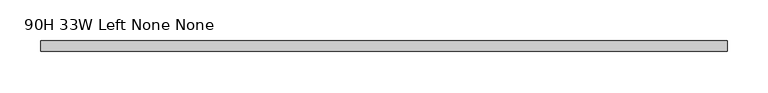
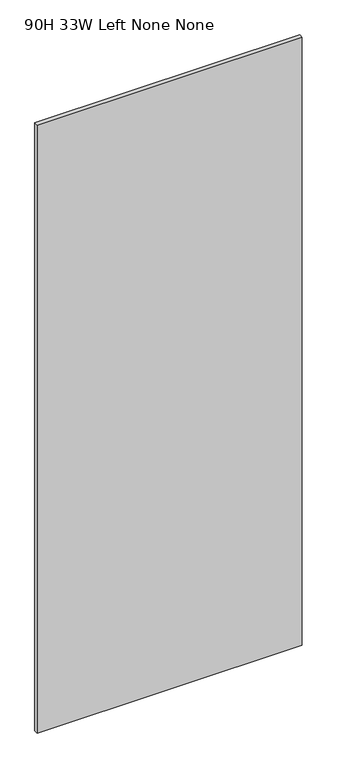
"""IFC4 building model written with IfcOpenShell, lengths in millimetres: furniture geometry, 90H 33W Left None None."""

from ifc_helpers import new_model, si_unit, frame, origin, place, context, project, spatial, polyline, outline, extrude, source, transform, mapped, element, save


def furniture_90h_33w_left_none_none_71d28a51(model_context):
    return source(origin(), model_context, "Body", "SweptSolid", [
        extrude(outline(polyline([(838.2, -50.8000015), (0.0, -50.8000015), (0.0, -38.1), (838.2, -38.1), (838.2, -50.8000015)])), frame((0.0, 0.0, 139.700003), z_axis=(0.0, 0.0, 1.0), x_axis=(1.0, 0.0, 0.0)), (0.0, 0.0, 1.0), 2031.999997),
    ])


if __name__ == "__main__":
    model = new_model("IFC4")
    model_context = context("Model", 3, world=origin())
    ifc_project = project(units=[si_unit("LENGTHUNIT", "METRE", prefix="MILLI")], contexts=[model_context])
    site = spatial("IfcSite", under=ifc_project)
    building = spatial("IfcBuilding", under=site)
    placement = place(None, origin())
    furniture_90h_33w_left_none_none_shape = furniture_90h_33w_left_none_none_71d28a51(model_context)
    element("IfcFurniture", 1, ObjectType="90H 33W Left None None", at=placement, inside=building, context=model_context, shape_type="MappedRepresentation", body=[
        mapped(furniture_90h_33w_left_none_none_shape, transform((0.0, 0.0, 0.0), x_axis=(1.0, 0.0, 0.0), y_axis=(0.0, 1.0, 0.0), z_axis=(0.0, 0.0, 1.0))),
    ])
    save(model, "model.ifc")
